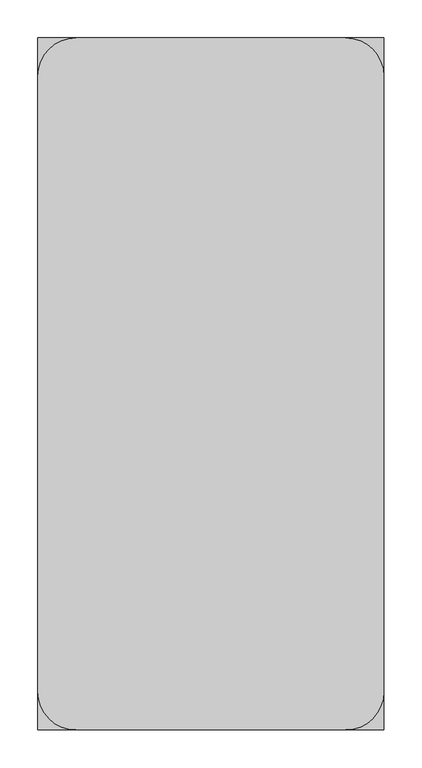
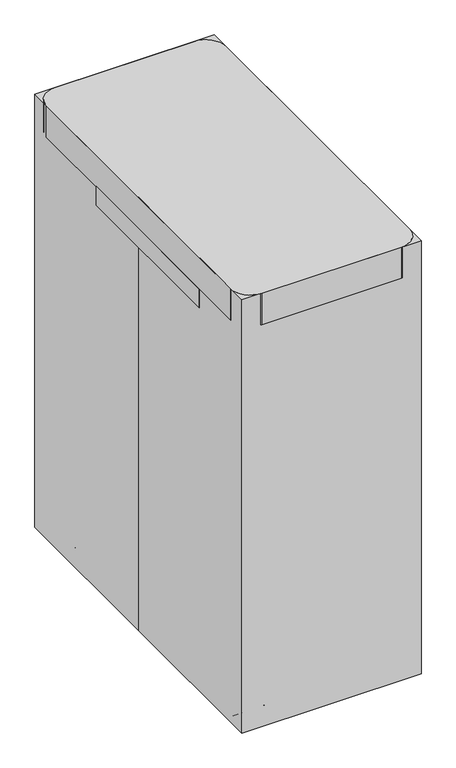
"""IFC4 building model written with IfcOpenShell, lengths in millimetres: proxy geometry."""

from ifc_helpers import new_model, si_unit, point, frame, frame_2d, origin, origin_with_axes, place, context, project, spatial, polyline, circle_curve, trimmed, segment, composite_curve, outline, extrude, source, transform, mapped, element, save


def specialty_equipment_190c61b0(model_context):
    return source(origin(), model_context, "Body", "SweptSolid", [
        extrude(outline(polyline([(228.6, 187.2297287), (228.6, -269.9702713), (-228.6, -269.9702713), (-228.6, 187.2297287), (228.6, 187.2297287)])), frame((0.0, 0.0, 1033.0016667), z_axis=(0.0, 0.0, 1.0), x_axis=(1.0, 0.0, 0.0)), (0.0, 0.0, 1.0), 50.8),
        extrude(outline(polyline([(216.6344082, -319.9060209), (216.6344082, -425.45), (-218.1273098, -425.45), (-218.1273098, -319.9060209), (216.6344082, -319.9060209)])), frame((0.0, 0.0, 127.0), z_axis=(0.0, 0.0, 1.0), x_axis=(1.0, 0.0, 0.0)), (0.0, 0.0, 1.0), 38.1),
        extrude(outline(polyline([(-33.9903673, 310.5535606), (34.925, 310.5535606), (34.925, -319.9060209), (-33.9903673, -319.9060209), (-33.9903673, 310.5535606)])), frame((0.0, 0.0, 127.0), z_axis=(0.0, 0.0, 1.0), x_axis=(1.0, 0.0, 0.0)), (0.0, 0.0, 1.0), 38.1),
        extrude(outline(composite_curve([segment(trimmed(circle_curve(frame_2d((-179.8693101, -389.7056599)), 16.9333333), [point((-196.8026434, -389.7056599))], [point((-162.9359768, -389.7056599))], False, "CARTESIAN"), True, "CONTINUOUS"), segment(trimmed(circle_curve(frame_2d((-179.8693101, -389.7056599)), 16.9333333), [point((-162.9359768, -389.7056599))], [point((-196.8026434, -389.7056599))], False, "CARTESIAN"), True, "CONTINUOUS")], self_intersect=False)), frame((0.0, 0.0, 84.8149176), z_axis=(0.0, 0.0, 1.0), x_axis=(1.0, 0.0, 0.0)), (0.0, 0.0, 1.0), 42.1850824),
        extrude(outline(composite_curve([segment(trimmed(circle_curve(frame_2d((178.8623991, -389.7056599)), 16.9333333), [point((195.7957324, -389.7056599))], [point((161.9290658, -389.7056599))], False, "CARTESIAN"), True, "CONTINUOUS"), segment(trimmed(circle_curve(frame_2d((178.8623991, -389.7056599)), 16.9333333), [point((161.9290658, -389.7056599))], [point((195.7957324, -389.7056599))], False, "CARTESIAN"), True, "CONTINUOUS")], self_intersect=False)), frame((0.0, 0.0, 84.8149176), z_axis=(0.0, 0.0, 1.0), x_axis=(1.0, 0.0, 0.0)), (0.0, 0.0, 1.0), 42.1850824),
        extrude(outline(composite_curve([segment(trimmed(circle_curve(frame_2d((-372.7723265, 50.8)), 50.8), [point((-423.5723265, 50.8))], [point((-321.9723265, 50.8))], False, "CARTESIAN"), True, "CONTINUOUS"), segment(trimmed(circle_curve(frame_2d((-372.7723265, 50.8)), 50.8), [point((-321.9723265, 50.8))], [point((-423.5723265, 50.8))], False, "CARTESIAN"), True, "CONTINUOUS")], self_intersect=False)), frame((140.7840445, 0.0, 0.0), z_axis=(1.0, 0.0, 0.0), x_axis=(0.0, 1.0, 0.0)), (0.0, 0.0, 1.0), 19.05),
        extrude(outline(composite_curve([segment(trimmed(circle_curve(frame_2d((-372.7723265, 50.8)), 50.8), [point((-423.5723265, 50.8))], [point((-321.9723265, 50.8))], False, "CARTESIAN"), True, "CONTINUOUS"), segment(trimmed(circle_curve(frame_2d((-372.7723265, 50.8)), 50.8), [point((-321.9723265, 50.8))], [point((-423.5723265, 50.8))], False, "CARTESIAN"), True, "CONTINUOUS")], self_intersect=False)), frame((197.9340445, 0.0, 0.0), z_axis=(1.0, 0.0, 0.0), x_axis=(0.0, 1.0, 0.0)), (0.0, 0.0, 1.0), 19.05),
        extrude(outline(composite_curve([segment(trimmed(circle_curve(frame_2d((-372.7723265, 50.8)), 33.8666667), [point((-338.9056599, 50.8))], [point((-406.6389932, 50.8))], False, "CARTESIAN"), True, "CONTINUOUS"), segment(trimmed(circle_curve(frame_2d((-372.7723265, 50.8)), 33.8666667), [point((-406.6389932, 50.8))], [point((-338.9056599, 50.8))], False, "CARTESIAN"), True, "CONTINUOUS")], self_intersect=False)), frame((159.8340445, 0.0, 0.0), z_axis=(1.0, 0.0, 0.0), x_axis=(0.0, 1.0, 0.0)), (0.0, 0.0, 1.0), 38.1),
        extrude(outline(composite_curve([segment(trimmed(circle_curve(frame_2d((-372.7723265, 50.8)), 50.8), [point((-423.5723265, 50.8))], [point((-321.9723265, 50.8))], False, "CARTESIAN"), True, "CONTINUOUS"), segment(trimmed(circle_curve(frame_2d((-372.7723265, 50.8)), 50.8), [point((-321.9723265, 50.8))], [point((-423.5723265, 50.8))], False, "CARTESIAN"), True, "CONTINUOUS")], self_intersect=False)), frame((-160.6276735, 0.0, 0.0), z_axis=(1.0, 0.0, 0.0), x_axis=(0.0, 1.0, 0.0)), (0.0, 0.0, 1.0), 19.05),
        extrude(outline(composite_curve([segment(trimmed(circle_curve(frame_2d((-372.7723265, 50.8)), 50.8), [point((-423.5723265, 50.8))], [point((-321.9723265, 50.8))], False, "CARTESIAN"), True, "CONTINUOUS"), segment(trimmed(circle_curve(frame_2d((-372.7723265, 50.8)), 50.8), [point((-321.9723265, 50.8))], [point((-423.5723265, 50.8))], False, "CARTESIAN"), True, "CONTINUOUS")], self_intersect=False)), frame((-217.7776735, 0.0, 0.0), z_axis=(1.0, 0.0, 0.0), x_axis=(0.0, 1.0, 0.0)), (0.0, 0.0, 1.0), 19.05),
        extrude(outline(composite_curve([segment(trimmed(circle_curve(frame_2d((-372.7723265, 50.8)), 33.8666667), [point((-338.9056599, 50.8))], [point((-406.6389932, 50.8))], False, "CARTESIAN"), True, "CONTINUOUS"), segment(trimmed(circle_curve(frame_2d((-372.7723265, 50.8)), 33.8666667), [point((-406.6389932, 50.8))], [point((-338.9056599, 50.8))], False, "CARTESIAN"), True, "CONTINUOUS")], self_intersect=False)), frame((-198.7276735, 0.0, 0.0), z_axis=(1.0, 0.0, 0.0), x_axis=(0.0, 1.0, 0.0)), (0.0, 0.0, 1.0), 38.1),
        extrude(outline(composite_curve([segment(trimmed(circle_curve(frame_2d((-180.2189464, 378.2868939)), 16.9333333), [point((-197.1522798, 378.2868939))], [point((-163.2856131, 378.2868939))], False, "CARTESIAN"), True, "CONTINUOUS"), segment(trimmed(circle_curve(frame_2d((-180.2189464, 378.2868939)), 16.9333333), [point((-163.2856131, 378.2868939))], [point((-197.1522798, 378.2868939))], False, "CARTESIAN"), True, "CONTINUOUS")], self_intersect=False)), frame((0.0, 0.0, 84.8149176), z_axis=(0.0, 0.0, 1.0), x_axis=(1.0, 0.0, 0.0)), (0.0, 0.0, 1.0), 42.1850824),
        extrude(outline(composite_curve([segment(trimmed(circle_curve(frame_2d((178.5127627, 378.2868939)), 16.9333333), [point((195.4460961, 378.2868939))], [point((161.5794294, 378.2868939))], False, "CARTESIAN"), True, "CONTINUOUS"), segment(trimmed(circle_curve(frame_2d((178.5127627, 378.2868939)), 16.9333333), [point((161.5794294, 378.2868939))], [point((195.4460961, 378.2868939))], False, "CARTESIAN"), True, "CONTINUOUS")], self_intersect=False)), frame((0.0, 0.0, 84.8149176), z_axis=(0.0, 0.0, 1.0), x_axis=(1.0, 0.0, 0.0)), (0.0, 0.0, 1.0), 42.1850824),
        extrude(outline(composite_curve([segment(trimmed(circle_curve(frame_2d((361.3535606, 50.8)), 50.8), [point((412.1535606, 50.8))], [point((310.5535606, 50.8))], False, "CARTESIAN"), True, "CONTINUOUS"), segment(trimmed(circle_curve(frame_2d((361.3535606, 50.8)), 50.8), [point((310.5535606, 50.8))], [point((412.1535606, 50.8))], False, "CARTESIAN"), True, "CONTINUOUS")], self_intersect=False)), frame((140.4344082, 0.0, 0.0), z_axis=(1.0, 0.0, 0.0), x_axis=(0.0, 1.0, 0.0)), (0.0, 0.0, 1.0), 19.05),
        extrude(outline(composite_curve([segment(trimmed(circle_curve(frame_2d((361.3535606, 50.8)), 50.8), [point((412.1535606, 50.8))], [point((310.5535606, 50.8))], False, "CARTESIAN"), True, "CONTINUOUS"), segment(trimmed(circle_curve(frame_2d((361.3535606, 50.8)), 50.8), [point((310.5535606, 50.8))], [point((412.1535606, 50.8))], False, "CARTESIAN"), True, "CONTINUOUS")], self_intersect=False)), frame((197.5844082, 0.0, 0.0), z_axis=(1.0, 0.0, 0.0), x_axis=(0.0, 1.0, 0.0)), (0.0, 0.0, 1.0), 19.05),
        extrude(outline(composite_curve([segment(trimmed(circle_curve(frame_2d((361.3535606, 50.8)), 33.8666667), [point((327.4868939, 50.8))], [point((395.2202273, 50.8))], False, "CARTESIAN"), True, "CONTINUOUS"), segment(trimmed(circle_curve(frame_2d((361.3535606, 50.8)), 33.8666667), [point((395.2202273, 50.8))], [point((327.4868939, 50.8))], False, "CARTESIAN"), True, "CONTINUOUS")], self_intersect=False)), frame((159.4844082, 0.0, 0.0), z_axis=(1.0, 0.0, 0.0), x_axis=(0.0, 1.0, 0.0)), (0.0, 0.0, 1.0), 38.1),
        extrude(outline(composite_curve([segment(trimmed(circle_curve(frame_2d((361.3535606, 50.8)), 50.8), [point((412.1535606, 50.8))], [point((310.5535606, 50.8))], False, "CARTESIAN"), True, "CONTINUOUS"), segment(trimmed(circle_curve(frame_2d((361.3535606, 50.8)), 50.8), [point((310.5535606, 50.8))], [point((412.1535606, 50.8))], False, "CARTESIAN"), True, "CONTINUOUS")], self_intersect=False)), frame((-160.9773098, 0.0, 0.0), z_axis=(1.0, 0.0, 0.0), x_axis=(0.0, 1.0, 0.0)), (0.0, 0.0, 1.0), 19.05),
        extrude(outline(composite_curve([segment(trimmed(circle_curve(frame_2d((361.3535606, 50.8)), 50.8), [point((412.1535606, 50.8))], [point((310.5535606, 50.8))], False, "CARTESIAN"), True, "CONTINUOUS"), segment(trimmed(circle_curve(frame_2d((361.3535606, 50.8)), 50.8), [point((310.5535606, 50.8))], [point((412.1535606, 50.8))], False, "CARTESIAN"), True, "CONTINUOUS")], self_intersect=False)), frame((-218.1273098, 0.0, 0.0), z_axis=(1.0, 0.0, 0.0), x_axis=(0.0, 1.0, 0.0)), (0.0, 0.0, 1.0), 19.05),
        extrude(outline(composite_curve([segment(trimmed(circle_curve(frame_2d((361.3535606, 50.8)), 33.8666667), [point((327.4868939, 50.8))], [point((395.2202273, 50.8))], False, "CARTESIAN"), True, "CONTINUOUS"), segment(trimmed(circle_curve(frame_2d((361.3535606, 50.8)), 33.8666667), [point((395.2202273, 50.8))], [point((327.4868939, 50.8))], False, "CARTESIAN"), True, "CONTINUOUS")], self_intersect=False)), frame((-199.0773098, 0.0, 0.0), z_axis=(1.0, 0.0, 0.0), x_axis=(0.0, 1.0, 0.0)), (0.0, 0.0, 1.0), 38.1),
        extrude(outline(polyline([(216.6344082, 446.8913935), (216.6344082, 310.5535606), (-218.1273098, 310.5535606), (-218.1273098, 446.8913935), (216.6344082, 446.8913935)])), frame((0.0, 0.0, 127.0), z_axis=(0.0, 0.0, 1.0), x_axis=(1.0, 0.0, 0.0)), (0.0, 0.0, 1.0), 38.1),
        extrude(outline(polyline([(44.45, 424.8535606), (44.45, 335.9535606), (-44.45, 335.9535606), (-44.45, 424.8535606), (44.45, 424.8535606)])), frame((0.0, 0.0, 165.1), z_axis=(0.0, 0.0, 1.0), x_axis=(1.0, 0.0, 0.0)), (0.0, 0.0, 1.0), 258.3016667),
        extrude(outline(polyline([(50.8, 431.2035606), (50.8, 329.6035606), (-50.8, 329.6035606), (-50.8, 431.2035606), (50.8, 431.2035606)])), frame((0.0, 0.0, 423.4016667), z_axis=(0.0, 0.0, 1.0), x_axis=(1.0, 0.0, 0.0)), (0.0, 0.0, 1.0), 660.4),
        extrude(outline(composite_curve([segment(trimmed(circle_curve(frame_2d((-177.8, 406.4)), 50.8), [point((-228.6, 406.4))], [point((-177.8, 457.2))], False, "CARTESIAN"), True, "CONTINUOUS"), segment(polyline([(-177.8, 457.2), (177.8, 457.2)]), True, "CONTINUOUS"), segment(trimmed(circle_curve(frame_2d((177.8, 406.4)), 50.8), [point((177.8, 457.2))], [point((228.6, 406.4))], False, "CARTESIAN"), True, "CONTINUOUS"), segment(polyline([(228.6, 406.4), (228.6, -406.4)]), True, "CONTINUOUS"), segment(trimmed(circle_curve(frame_2d((177.8, -406.4)), 50.8), [point((228.6, -406.4))], [point((177.8, -457.2))], False, "CARTESIAN"), True, "CONTINUOUS"), segment(polyline([(177.8, -457.2), (-177.8, -457.2)]), True, "CONTINUOUS"), segment(trimmed(circle_curve(frame_2d((-177.8, -406.4)), 50.8), [point((-177.8, -457.2))], [point((-228.6, -406.4))], False, "CARTESIAN"), True, "CONTINUOUS"), segment(polyline([(-228.6, -406.4), (-228.6, 406.4)]), True, "CONTINUOUS")], self_intersect=False)), frame((0.0, 0.0, 1083.8016667), z_axis=(0.0, 0.0, 1.0), x_axis=(1.0, 0.0, 0.0)), (0.0, 0.0, 1.0), 84.5983333),
        extrude(outline(polyline([(-228.6, 457.2), (228.6, 457.2), (228.6, -457.2), (-228.6, -457.2), (-228.6, 0.0), (-228.6, 457.2)])), origin_with_axes(), (0.0, 0.0, 1.0), 1168.4),
    ])


if __name__ == "__main__":
    model = new_model("IFC4")
    model_context = context("Model", 3, world=origin())
    ifc_project = project(units=[si_unit("LENGTHUNIT", "METRE", prefix="MILLI")], contexts=[model_context])
    site = spatial("IfcSite", under=ifc_project)
    building = spatial("IfcBuilding", under=site)
    placement = place(None, origin())
    specialty_equipment_shape = specialty_equipment_190c61b0(model_context)
    element("IfcBuildingElementProxy", 1, Name="Specialty Equipment", at=placement, inside=building, context=model_context, shape_type="MappedRepresentation", body=[
        mapped(specialty_equipment_shape, transform((0.0, 0.0, 0.0), x_axis=(1.0, 0.0, 0.0), y_axis=(0.0, 1.0, 0.0), z_axis=(0.0, 0.0, 1.0))),
    ])
    save(model, "model.ifc")
